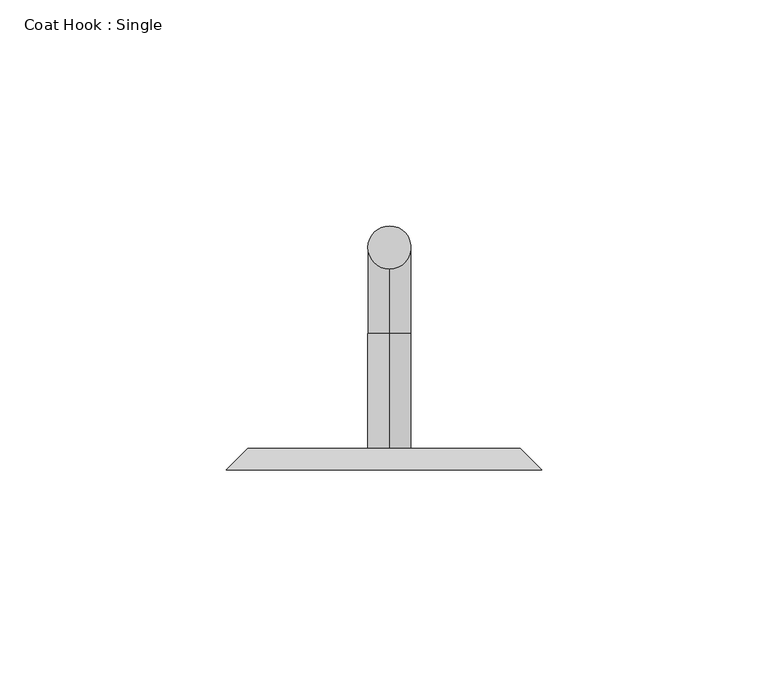
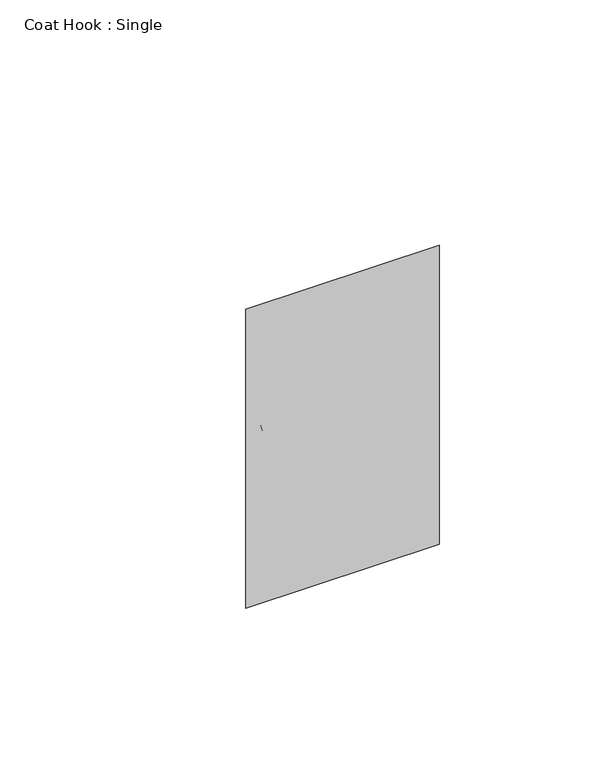
"""IFC4 building model written with IfcOpenShell, lengths in millimetres: proxy geometry, Coat Hook : Single."""

from ifc_helpers import new_model, si_unit, point, frame, origin, place, context, project, spatial, circle_curve, ellipse_curve, trimmed, faceted_brep, source, transform, mapped, element, save
from ifc_brep_helpers import plane_surface, cylinder_surface, revolved_surface, advanced_brep


def coat_hook_single_6e2eac88(model_context):
    return source(origin(), model_context, "Body", "SolidModel", [
        faceted_brep([(34.925, 96.8375, 1276.35), (34.925, 96.8375, 1162.05), (30.1625, 101.6, 1166.8125), (30.1625, 101.6, 1271.5875), (-30.1625, 101.6, 1271.5875), (-30.1625, 101.6, 1166.8125), (-34.925, 96.8375, 1162.05), (-34.925, 96.8375, 1276.35)], [[[0, 1, 2, 3]], [[4, 3, 2, 5]], [[1, 6, 5, 2]], [[6, 7, 4, 5]], [[7, 6, 1, 0]], [[7, 0, 3, 4]]]),
        advanced_brep(
        [(1.1934662, 101.5847622, 1192.1954874), (1.1934662, 101.5847622, 1182.6704874), (1.2058168, 126.999417, 1192.1954874), (1.2058168, 126.999417, 1182.6704874), (1.2173887, 150.8119142, 1206.4829874), (1.2127599, 141.2869153, 1206.4829874), (1.2127599, 141.2869153, 1219.2), (1.2173887, 150.8119142, 1219.2)],
        [
            (0, 1, circle_curve(frame((1.1934662, 101.5847622, 1187.4329874), z_axis=(-0.0004859625601772999, -0.9999998819201881, 0.0), x_axis=(0.0, 0.0, -1.0)), 4.7625)),
            (1, 0, circle_curve(frame((1.1934662, 101.5847622, 1187.4329874), z_axis=(-0.0004859625601772999, -0.9999998819201881, 0.0), x_axis=(0.0, 0.0, -1.0)), 4.7625)),
            (0, 2),
            (2, 3, circle_curve(frame((1.2058168, 126.999417, 1187.4329874), z_axis=(-0.0004859625601772999, -0.9999998819201881, 0.0), x_axis=(0.0, 0.0, -1.0)), 4.7625)),
            (3, 1),
            (3, 2, circle_curve(frame((1.2058168, 126.999417, 1187.4329874), z_axis=(-0.0004859625601772999, -0.9999998819201881, 0.0), x_axis=(0.0, 0.0, -1.0)), 4.7625)),
            (4, 3, circle_curve(frame((1.2058168, 126.999417, 1206.4829874), z_axis=(-0.9999998819201881, 0.0004859625601772999, 0.0), x_axis=(0.0, 0.0, -1.0)), 23.8125)),
            (2, 5, circle_curve(frame((1.2058168, 126.999417, 1206.4829874), z_axis=(0.9999998819201881, -0.0004859625601772999, 0.0), x_axis=(0.0, 0.0, -1.0)), 14.2875)),
            (5, 4, circle_curve(frame((1.2150743, 146.0494148, 1206.4829874), z_axis=(0.0, 0.0, -1.0), x_axis=(0.0004859625601772999, 0.9999998819201881, 0.0)), 4.7625)),
            (4, 5, circle_curve(frame((1.2150743, 146.0494148, 1206.4829874), z_axis=(0.0, 0.0, -1.0), x_axis=(0.0004859625601772999, 0.9999998819201881, 0.0)), 4.7625)),
            (6, 7, circle_curve(frame((1.2150743, 146.0494148, 1219.2), z_axis=(0.0, 0.0, 1.0), x_axis=(0.0004859625601772999, 0.9999998819201881, 0.0)), 4.7625)),
            (7, 6, circle_curve(frame((1.2150743, 146.0494148, 1219.2), z_axis=(0.0, 0.0, 1.0), x_axis=(0.0004859625601772999, 0.9999998819201881, 0.0)), 4.7625)),
            (5, 6),
            (7, 4),
        ],
        [
            plane_surface(frame((-3.5690333, 101.5870766, 1187.4329874), z_axis=(-0.0004859625601768941, -0.9999998819201881, 0.0), x_axis=(0.0, 0.0, 1.0))),
            cylinder_surface(frame((1.1934662, 101.5847622, 1187.4329874), z_axis=(-0.0004859625601772999, -0.9999998819201881, 0.0), x_axis=(0.0, 0.0, -1.0)), 4.7625),
            revolved_surface(trimmed(ellipse_curve(frame((1.2058168, 126.999417, 1187.4329874), z_axis=(-0.00048596256017767567, -0.9999998819201881, 0.0), x_axis=(0.0, 0.0, -1.0)), 4.7625, 4.7625), [point((1.2058168, 126.999417, 1192.1954874))], [point((1.2058168, 126.999417, 1182.6704874))], True, "CARTESIAN"), (119.8601046, 126.9417555, 1206.4829874), (0.9999998819201881, -0.0004859625601772999, 0.0)),
            revolved_surface(trimmed(ellipse_curve(frame((1.2058168, 126.999417, 1187.4329874), z_axis=(-0.00048596256017767567, -0.9999998819201881, 0.0), x_axis=(0.0, 0.0, -1.0)), 4.7625, 4.7625), [point((1.2058168, 126.999417, 1182.6704874))], [point((1.2058168, 126.999417, 1192.1954874))], True, "CARTESIAN"), (119.8601046, 126.9417555, 1206.4829874), (0.9999998819201881, -0.0004859625601772999, 0.0)),
            plane_surface(frame((119.8693622, 22.5749514, 1219.2), z_axis=(0.0, 0.0, 1.0), x_axis=(1.0, 0.0, 0.0))),
            cylinder_surface(frame((1.2150743, 146.0494148, 1206.4829874), z_axis=(0.0, 0.0, -1.0), x_axis=(0.0004859625601772999, 0.9999998819201881, 0.0)), 4.7625),
        ],
        [
            (0, [[1, 2]]),
            (1, [[-1, 3, 4, 5]]),
            (1, [[-2, -5, 6, -3]]),
            (2, [[7, -4, 8, 9]]),
            (3, [[-8, -6, -7, 10]]),
            (4, [[11, 12]]),
            (5, [[-9, 13, -12, 14]]),
            (5, [[-10, -14, -11, -13]]),
        ],
    ),
    ])


if __name__ == "__main__":
    model = new_model("IFC4")
    model_context = context("Model", 3, world=origin())
    ifc_project = project(units=[si_unit("LENGTHUNIT", "METRE", prefix="MILLI")], contexts=[model_context])
    site = spatial("IfcSite", under=ifc_project)
    building = spatial("IfcBuilding", under=site)
    placement = place(None, origin())
    coat_hook_single_shape = coat_hook_single_6e2eac88(model_context)
    element("IfcBuildingElementProxy", 1, Name="Coat Hook : Single", ObjectType="Coat Hook : Single", at=placement, inside=building, context=model_context, shape_type="MappedRepresentation", body=[
        mapped(coat_hook_single_shape, transform((0.0, 0.0, 0.0), x_axis=(1.0, 0.0, 0.0), y_axis=(0.0, 1.0, 0.0), z_axis=(0.0, 0.0, 1.0))),
    ])
    save(model, "model.ifc")
